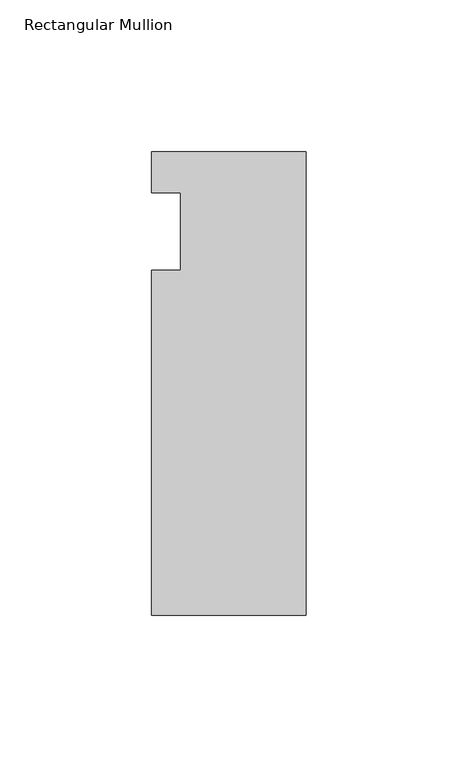
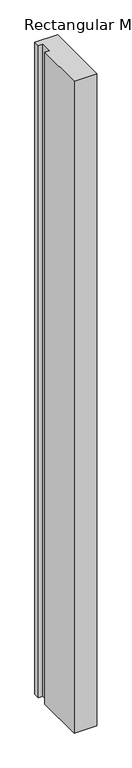
"""IFC4 building model written with IfcOpenShell, lengths in millimetres: member geometry, Rectangular Mullion."""

from ifc_helpers import new_model, si_unit, frame, origin, place, context, project, spatial, polyline, outline, extrude, source, transform, mapped, element, save


def rectangular_mullion_2d262c30(model_context):
    return source(origin(), model_context, "Body", "SweptSolid", [
        extrude(outline(polyline([(-50.8, 26.19375), (0.0, 26.19375), (0.0, -126.20625), (-50.8, -126.20625), (-50.8, -12.7), (-41.275, -12.7), (-41.275, 12.7), (-50.8, 12.7), (-50.8, 26.19375)])), frame((0.0, 0.0, -1549.4), z_axis=(0.0, 0.0, 1.0), x_axis=(1.0, 0.0, 0.0)), (0.0, 0.0, 1.0), 1549.4),
    ])


if __name__ == "__main__":
    model = new_model("IFC4")
    model_context = context("Model", 3, world=origin())
    ifc_project = project(units=[si_unit("LENGTHUNIT", "METRE", prefix="MILLI")], contexts=[model_context])
    site = spatial("IfcSite", under=ifc_project)
    building = spatial("IfcBuilding", under=site)
    placement = place(None, origin())
    rectangular_mullion_shape = rectangular_mullion_2d262c30(model_context)
    element("IfcMember", 1, ObjectType="Rectangular Mullion", at=placement, inside=building, context=model_context, shape_type="MappedRepresentation", body=[
        mapped(rectangular_mullion_shape, transform((0.0, 0.0, 0.0), x_axis=(1.0, 0.0, 0.0), y_axis=(0.0, 1.0, 0.0), z_axis=(0.0, 0.0, 1.0))),
    ])
    save(model, "model.ifc")
